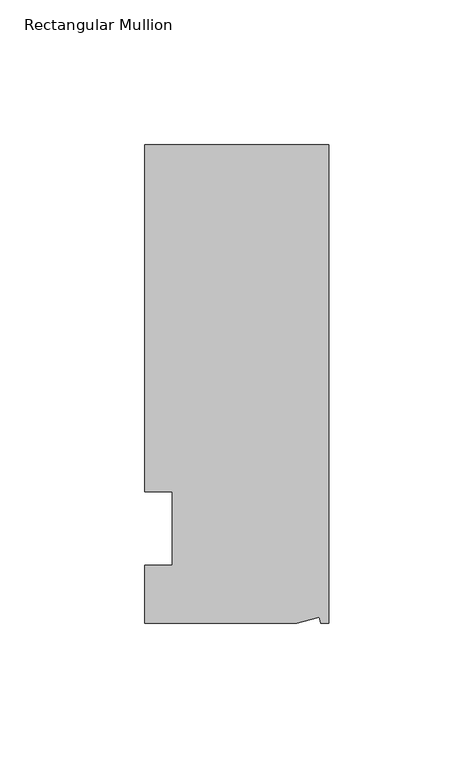
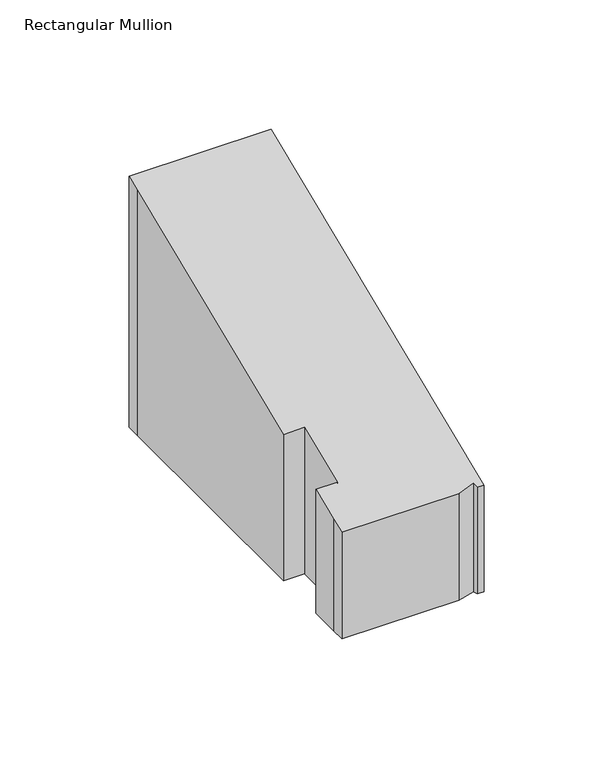
"""IFC4 building model written with IfcOpenShell, lengths in millimetres: member geometry, Rectangular Mullion."""

import ifcopenshell
import ifcopenshell.guid

model = None  # the IFC model being written
_history = None  # IfcOwnerHistory: only IFC2X3 demands one
_inside = {}  # id of a spatial element -> (the spatial element, [elements in it])
_under = {}  # id of a project, library or spatial element -> (it, [spatial elements below it])
_declared = {}  # id of a project -> (the project, [libraries it declares])
_typed = {}  # id of a type object -> (the type object, [elements of that type])
_made_of = {}  # id of a material, layer set ... -> (it, [elements and type objects made of it])


def new_model(schema):
    """Start an empty IFC model of exactly this schema.

    Asked for "IFC4X3", IfcOpenShell would pick the latest addendum, in which some entities
    have other attributes; the version numbers below select the first issue.
    IFC2X3 requires an IfcOwnerHistory on every rooted entity: one is made here for all.
    """
    global model, _history
    if schema == "IFC4X3":
        model = ifcopenshell.file(schema_version=(4, 3, 0, 0))
    else:
        model = ifcopenshell.file(schema=schema)
    _inside.clear()
    _under.clear()
    _declared.clear()
    _typed.clear()
    _made_of.clear()
    _history = None
    if model.schema == "IFC2X3":
        org = make("IfcOrganization", Name="unknown")
        user = make(
            "IfcPersonAndOrganization",
            ThePerson=make("IfcPerson", FamilyName="unknown"),
            TheOrganization=org,
        )
        app = make(
            "IfcApplication",
            ApplicationDeveloper=org,
            Version="unknown",
            ApplicationFullName="unknown",
            ApplicationIdentifier="unknown",
        )
        _history = make(
            "IfcOwnerHistory",
            OwningUser=user,
            OwningApplication=app,
            ChangeAction="ADDED",
            CreationDate=0,
        )
    return model


def make(cls, **values):
    """One entity of the class cls with the attributes given. An attribute that is None is left unset."""
    return model.create_entity(
        cls, **{name: value for name, value in values.items() if value is not None}
    )


def rooted(cls, **values):
    """An entity with a GlobalId (a new one), such as an element, a storey or a relation."""
    return make(cls, GlobalId=ifcopenshell.guid.new(), OwnerHistory=_history, **values)


def si_unit(unit_type, name, prefix=None):
    """IfcSIUnit, for example si_unit("LENGTHUNIT", "METRE", prefix="MILLI")."""
    return make("IfcSIUnit", UnitType=unit_type, Prefix=prefix, Name=name)


def assignment(units):
    """IfcUnitAssignment: the units of a project."""
    return None if units is None else make("IfcUnitAssignment", Units=units)


def point(xyz):
    """IfcCartesianPoint."""
    return None if xyz is None else make("IfcCartesianPoint", Coordinates=xyz)


def direction(xyz):
    """IfcDirection."""
    return None if xyz is None else make("IfcDirection", DirectionRatios=xyz)


def frame(location, z_axis=None, x_axis=None):
    """IfcAxis2Placement3D, a coordinate frame: its origin and axes. An axis left out is left unset."""
    return make(
        "IfcAxis2Placement3D",
        Location=point(location),
        Axis=direction(z_axis),
        RefDirection=direction(x_axis),
    )


def origin():
    """The frame at (0, 0, 0) with its axes left unset."""
    return frame((0.0, 0.0, 0.0))


def place(relative_to, where):
    """IfcLocalPlacement: puts the frame where relative to a parent placement (None: the world)."""
    return make(
        "IfcLocalPlacement", PlacementRelTo=relative_to, RelativePlacement=where
    )


def context(
    kind, dimensions, precision=None, world=None, true_north=None, identifier=None
):
    """IfcGeometricRepresentationContext, for example the 3D "Model" context."""
    return make(
        "IfcGeometricRepresentationContext",
        ContextIdentifier=identifier,
        ContextType=kind,
        CoordinateSpaceDimension=dimensions,
        Precision=precision,
        WorldCoordinateSystem=world,
        TrueNorth=true_north,
    )


def project(units=None, contexts=None):
    """IfcProject with its units and contexts."""
    return rooted(
        "IfcProject",
        Name="project",
        RepresentationContexts=contexts,
        UnitsInContext=assignment(units),
    )


def spatial(cls, under=None, at=None, **own):
    """A site, building, storey or space (cls), placed at a placement, below another one or the project."""
    s = rooted(cls, ObjectPlacement=at, **own)
    if under is not None:
        _under.setdefault(under.id(), (under, []))[1].append(s)
    return s


def faces_of(points, faces, orient=None, outer=None):
    """IfcFace entities. A face is a list of loops; a loop is a list of indices into points, from 0.

    orient and outer hold one flag for each loop. By default every Orientation is true, the
    first loop of a face is its IfcFaceOuterBound and the others are IfcFaceBound.
    """
    made = []
    for i, loops in enumerate(faces):
        bounds = []
        for j, loop in enumerate(loops):
            is_outer = j == 0 if outer is None else outer[i][j]
            bounds.append(
                make(
                    "IfcFaceOuterBound" if is_outer else "IfcFaceBound",
                    Bound=make("IfcPolyLoop", Polygon=[points[k] for k in loop]),
                    Orientation=True if orient is None else orient[i][j],
                )
            )
        made.append(make("IfcFace", Bounds=bounds))
    return made


def faceted_brep(points, faces, orient=None, outer=None, voids=None):
    """IfcFacetedBrep: a solid bounded by flat faces; with voids (closed shells), ...WithVoids."""
    shared = [point(p) for p in points]
    hull = make("IfcClosedShell", CfsFaces=faces_of(shared, faces, orient, outer))
    if voids is None:
        return make("IfcFacetedBrep", Outer=hull)
    return make(
        "IfcFacetedBrepWithVoids",
        Outer=hull,
        Voids=[
            make(cls, CfsFaces=faces_of(shared, fs, o, b)) for cls, fs, o, b in voids
        ],
    )


def shape(context_of_items, identifier, shape_type, items):
    """IfcShapeRepresentation: the items that make up one representation, for example the "Body"."""
    return make(
        "IfcShapeRepresentation",
        ContextOfItems=context_of_items,
        RepresentationIdentifier=identifier,
        RepresentationType=shape_type,
        Items=items,
    )


def source(mapping_origin, context_of_items, identifier, shape_type, items):
    """IfcRepresentationMap: a shape defined once, which mapped items show again and again."""
    return make(
        "IfcRepresentationMap",
        MappingOrigin=mapping_origin,
        MappedRepresentation=shape(context_of_items, identifier, shape_type, items),
    )


def transform(
    local_origin,
    x_axis=None,
    y_axis=None,
    z_axis=None,
    scale=None,
    scale2=None,
    scale3=None,
    uniform=True,
):
    """IfcCartesianTransformationOperator3D, or its non-uniform kind. x_axis, y_axis, z_axis: its Axis1, 2, 3."""
    if uniform:
        return make(
            "IfcCartesianTransformationOperator3D",
            Axis1=direction(x_axis),
            Axis2=direction(y_axis),
            LocalOrigin=point(local_origin),
            Scale=scale,
            Axis3=direction(z_axis),
        )
    return make(
        "IfcCartesianTransformationOperator3DnonUniform",
        Axis1=direction(x_axis),
        Axis2=direction(y_axis),
        LocalOrigin=point(local_origin),
        Scale=scale,
        Axis3=direction(z_axis),
        Scale2=scale2,
        Scale3=scale3,
    )


def mapped(mapping_source, mapping_target):
    """IfcMappedItem: shows the shape of a source again, moved by a transform."""
    return make(
        "IfcMappedItem", MappingSource=mapping_source, MappingTarget=mapping_target
    )


def made_of(thing, what):
    """Note that an element or type object is made of a material, layer set ...; save() writes the relation."""
    if what is not None:
        _made_of.setdefault(what.id(), (what, []))[1].append(thing)
    return thing


def element(
    cls,
    number,
    at=None,
    inside=None,
    cuts=None,
    type_object=None,
    material=None,
    context=None,
    identifier="Body",
    shape_type=None,
    held_by="IfcProductDefinitionShape",
    body=None,
    shapes=None,
    **own,
):
    """One element of the class cls, such as IfcWall. Its Tag is "e" and its number.

    at: its placement. inside: the storey or other place that contains it. cuts: it is an
    opening in that element (IfcRelVoidsElement). A single representation is given by context,
    identifier, shape_type and body (its items); several are given by shapes. held_by: the class
    of the entity that holds the representations. save() writes the other relations.
    """
    e = rooted(cls, Tag="e%d" % number, ObjectPlacement=at, **own)
    if body is not None:
        shapes = [shape(context, identifier, shape_type, body)]
    if shapes is not None:
        e.Representation = make(held_by, Representations=shapes)
    if inside is not None:
        _inside.setdefault(inside.id(), (inside, []))[1].append(e)
    if cuts is not None:
        rooted(
            "IfcRelVoidsElement", RelatingBuildingElement=cuts, RelatedOpeningElement=e
        )
    if type_object is not None:
        _typed.setdefault(type_object.id(), (type_object, []))[1].append(e)
    return made_of(e, material)


def aggregate(whole, parts):
    """IfcRelAggregates: a whole, such as a stair, and the parts it consists of."""
    return rooted("IfcRelAggregates", RelatingObject=whole, RelatedObjects=parts)


def save(model, path):
    """Write the relations noted so far, then the file.

    IfcRelAggregates (storeys below a building ...), IfcRelContainedInSpatialStructure (elements
    in a storey), IfcRelDefinesByType, IfcRelAssociatesMaterial and IfcRelDeclares: one each for
    every whole, place, type object, material and project.
    """
    for whole, parts in _under.values():
        aggregate(whole, parts)
    for where, things in _inside.values():
        rooted(
            "IfcRelContainedInSpatialStructure",
            RelatedElements=things,
            RelatingStructure=where,
        )
    for kind, things in _typed.values():
        rooted("IfcRelDefinesByType", RelatedObjects=things, RelatingType=kind)
    for what, things in _made_of.values():
        rooted("IfcRelAssociatesMaterial", RelatedObjects=things, RelatingMaterial=what)
    for by, libraries in _declared.values():
        rooted("IfcRelDeclares", RelatingContext=by, RelatedDefinitions=libraries)
    model.write(path)


def rectangular_mullion_11d999f1(model_context):
    return source(origin(), model_context, "Body", "Brep", [
        faceted_brep([(0.0, 132.5561012, -63.8608936), (0.0, -32.5438988, -63.8608936), (-2.7616541, -32.5438988, -63.8608936), (-3.3341886, -30.4622958, -63.8608936), (-11.121847, -32.5438988, -63.8608936), (-63.5, -32.5438988, -63.8608936), (-63.5, -26.1938988, -63.8608936), (-63.5, -12.5945801, -63.8608936), (-53.975, -12.5945801, -63.8608936), (-53.975, 12.8054199, -63.8608936), (-63.5, 12.8054199, -63.8608936), (-63.5, 126.2061012, -63.8608936), (-63.5, 132.5561012, -63.8608936), (-63.5, 132.5561012, 54.9065349), (0.0, 132.5561012, 54.9065349), (-63.5, 126.2061012, 52.2762788), (-63.5, 12.8054199, 5.3041786), (-53.975, 12.8054199, 5.3041786), (-53.975, -12.5945801, -5.2168459), (-63.5, -12.5945801, -5.2168459), (-63.5, -26.1938988, -10.8498681), (-63.5, -32.5438988, -13.4801243), (-11.121847, -32.5438988, -13.4801243), (-3.3341886, -30.4622958, -12.617896), (-2.7616541, -32.5438988, -13.4801243), (0.0, -32.5438988, -13.4801243)], [[[0, 1, 2, 3, 4, 5, 6, 7, 8, 9, 10, 11, 12]], [[13, 14, 0, 12]], [[15, 13, 12, 11]], [[16, 15, 11, 10]], [[17, 16, 10, 9]], [[18, 17, 9, 8]], [[19, 18, 8, 7]], [[20, 19, 7, 6]], [[21, 20, 6, 5]], [[22, 21, 5, 4]], [[23, 22, 4, 3]], [[24, 23, 3, 2]], [[25, 24, 2, 1]], [[14, 25, 1, 0]], [[14, 13, 15, 16, 17, 18, 19, 20, 21, 22, 23, 24, 25]]]),
    ])


if __name__ == "__main__":
    model = new_model("IFC4")
    model_context = context("Model", 3, world=origin())
    ifc_project = project(units=[si_unit("LENGTHUNIT", "METRE", prefix="MILLI")], contexts=[model_context])
    site = spatial("IfcSite", under=ifc_project)
    building = spatial("IfcBuilding", under=site)
    placement = place(None, origin())
    rectangular_mullion_shape = rectangular_mullion_11d999f1(model_context)
    element("IfcMember", 1, ObjectType="Rectangular Mullion", at=placement, inside=building, context=model_context, shape_type="MappedRepresentation", body=[
        mapped(rectangular_mullion_shape, transform((0.0, 0.0, 0.0), x_axis=(1.0, 0.0, 0.0), y_axis=(0.0, 1.0, 0.0), z_axis=(0.0, 0.0, 1.0))),
    ])
    save(model, "model.ifc")
